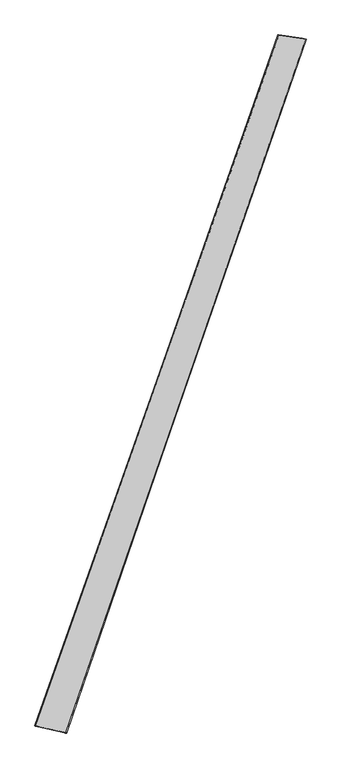
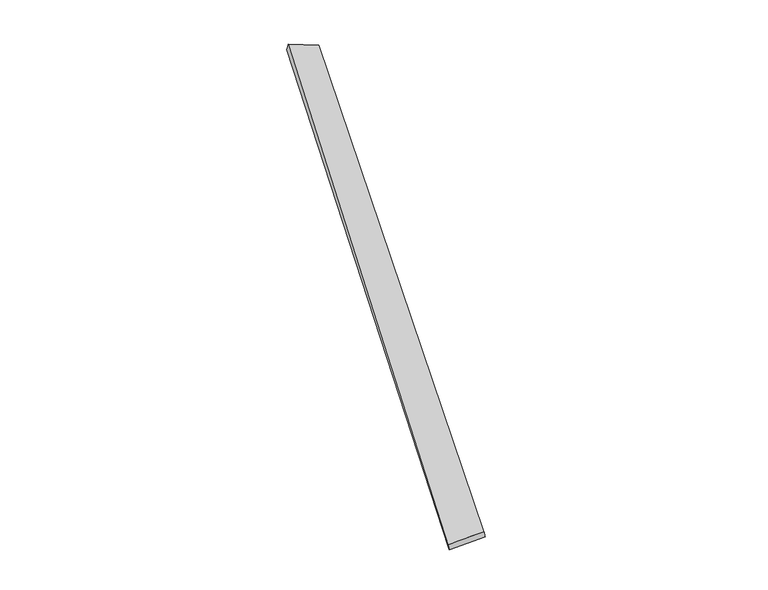
"""IFC4 building model written with IfcOpenShell, lengths in millimetres: proxy geometry."""

from ifc_helpers import new_model, si_unit, origin, place, context, project, spatial, source, transform, mapped, element, save
from ifc_brep_helpers import spline_surface, advanced_brep


def generic_models_1676fa2c(model_context):
    return source(origin(), model_context, "Body", "AdvancedBrep", [
        advanced_brep(
        [(-677.7171753, -1716.8835106, -18.3647235), (-684.4395438, -1714.8333534, 10.8004375), (675.0339339, 2124.3284327, 50.9491603), (668.6075167, 2126.8840715, 21.7572115), (-511.7876952, -1752.4305504, 47.8395767), (825.5214836, 2101.4443341, 6.5801925), (-506.8688923, -1754.4229675, 18.3127135), (815.9785508, 2104.4224067, -21.7052016)],
        [
            (0, 1),
            (1, 2),
            (2, 3),
            (3, 0),
            (1, 4),
            (4, 5),
            (5, 2),
            (4, 6),
            (6, 7),
            (7, 5),
            (6, 0),
            (3, 7),
        ],
        [
            spline_surface(1, 1, [[(-677.7171753, -1716.8835106, -18.3647235), (668.6075167, 2126.8840715, 21.7572115)], [(-684.4395438, -1714.8333534, 10.8004375), (675.0339339, 2124.3284327, 50.9491603)]], [2, 2], [2, 2], [0.0, 1.0], [0.0, 1.0]),
            spline_surface(1, 1, [[(-684.4395438, -1714.8333534, 10.8004375), (675.0339339, 2124.3284327, 50.9491603)], [(-511.7876952, -1752.4305504, 47.8395767), (825.5214836, 2101.4443341, 6.5801925)]], [2, 2], [2, 2], [0.0, 1.0], [0.0, 1.0]),
            spline_surface(1, 1, [[(-511.7876952, -1752.4305504, 47.8395767), (825.5214836, 2101.4443341, 6.5801925)], [(-506.8688923, -1754.4229675, 18.3127135), (815.9785508, 2104.4224067, -21.7052016)]], [2, 2], [2, 2], [0.0, 1.0], [0.0, 1.0]),
            spline_surface(1, 1, [[(-506.8688923, -1754.4229675, 18.3127135), (815.9785508, 2104.4224067, -21.7052016)], [(-677.7171753, -1716.8835106, -18.3647235), (668.6075167, 2126.8840715, 21.7572115)]], [2, 2], [2, 2], [0.0, 1.0], [0.0, 1.0]),
            spline_surface(1, 1, [[(675.0339339, 2124.3284327, 50.9491603), (668.6075167, 2126.8840715, 21.7572115)], [(825.5214836, 2101.4443341, 6.5801925), (815.9785508, 2104.4224067, -21.7052016)]], [2, 2], [2, 2], [0.0, 1.0], [0.0, 1.0]),
            spline_surface(1, 1, [[(-506.8688923, -1754.4229675, 18.3127135), (-677.7171753, -1716.8835106, -18.3647235)], [(-511.7876952, -1752.4305504, 47.8395767), (-684.4395438, -1714.8333534, 10.8004375)]], [2, 2], [2, 2], [0.0, 1.0], [0.0, 1.0]),
        ],
        [
            (0, [[1, 2, 3, 4]]),
            (1, [[5, 6, 7, -2]]),
            (2, [[8, 9, 10, -6]]),
            (3, [[11, -4, 12, -9]]),
            (4, [[-3, -7, -10, -12]]),
            (5, [[-11, -8, -5, -1]]),
        ],
    ),
    ])


if __name__ == "__main__":
    model = new_model("IFC4")
    model_context = context("Model", 3, world=origin())
    ifc_project = project(units=[si_unit("LENGTHUNIT", "METRE", prefix="MILLI")], contexts=[model_context])
    site = spatial("IfcSite", under=ifc_project)
    building = spatial("IfcBuilding", under=site)
    placement = place(None, origin())
    generic_models_shape = generic_models_1676fa2c(model_context)
    element("IfcBuildingElementProxy", 1, Name="Generic Models", at=placement, inside=building, context=model_context, shape_type="MappedRepresentation", body=[
        mapped(generic_models_shape, transform((0.0, 0.0, 0.0), x_axis=(1.0, 0.0, 0.0), y_axis=(0.0, 1.0, 0.0), z_axis=(0.0, 0.0, 1.0))),
    ])
    save(model, "model.ifc")
